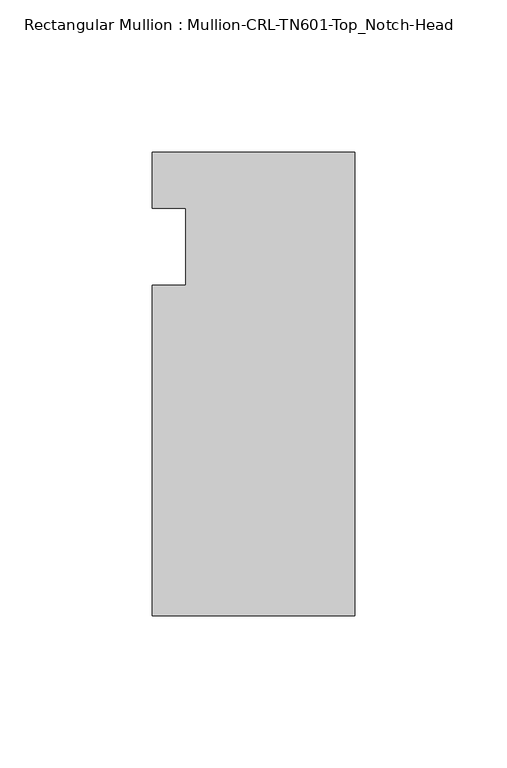
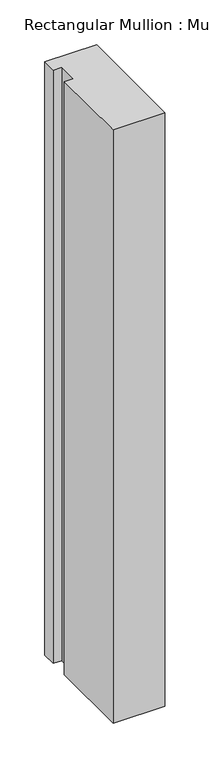
"""IFC4 building model written with IfcOpenShell, lengths in millimetres: member geometry, Rectangular Mullion : Mullion-CRL-TN601-Top_Notch-Head."""

from ifc_helpers import new_model, si_unit, frame, origin, place, context, project, spatial, polyline, outline, extrude, source, transform, mapped, element, save


def rectangular_mullion_mullion_crl_tn601_top_notch_head_f6ab0a5b(model_context):
    return source(origin(), model_context, "Body", "SweptSolid", [
        extrude(outline(polyline([(0.0, -121.259591), (-66.675, -121.259591), (-66.675, -12.7), (-55.5625, -12.7), (-55.5625, 12.7), (-66.675, 12.7), (-66.675, 31.140391), (0.0, 31.140391), (0.0, -121.259591)])), frame((0.0, 0.0, -807.7376293), z_axis=(0.0, 0.0, 1.0), x_axis=(1.0, 0.0, 0.0)), (0.0, 0.0, 1.0), 807.7376293),
    ])


if __name__ == "__main__":
    model = new_model("IFC4")
    model_context = context("Model", 3, world=origin())
    ifc_project = project(units=[si_unit("LENGTHUNIT", "METRE", prefix="MILLI")], contexts=[model_context])
    site = spatial("IfcSite", under=ifc_project)
    building = spatial("IfcBuilding", under=site)
    placement = place(None, origin())
    rectangular_mullion_mullion_crl_tn601_top_notch_head_shape = rectangular_mullion_mullion_crl_tn601_top_notch_head_f6ab0a5b(model_context)
    element("IfcMember", 1, ObjectType="Rectangular Mullion : Mullion-CRL-TN601-Top_Notch-Head", at=placement, inside=building, context=model_context, shape_type="MappedRepresentation", body=[
        mapped(rectangular_mullion_mullion_crl_tn601_top_notch_head_shape, transform((0.0, 0.0, 0.0), x_axis=(1.0, 0.0, 0.0), y_axis=(0.0, 1.0, 0.0), z_axis=(0.0, 0.0, 1.0))),
    ])
    save(model, "model.ifc")
